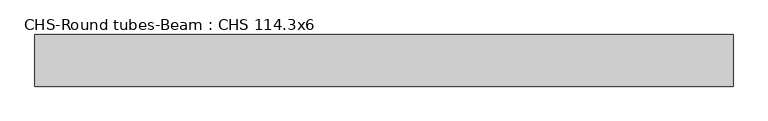
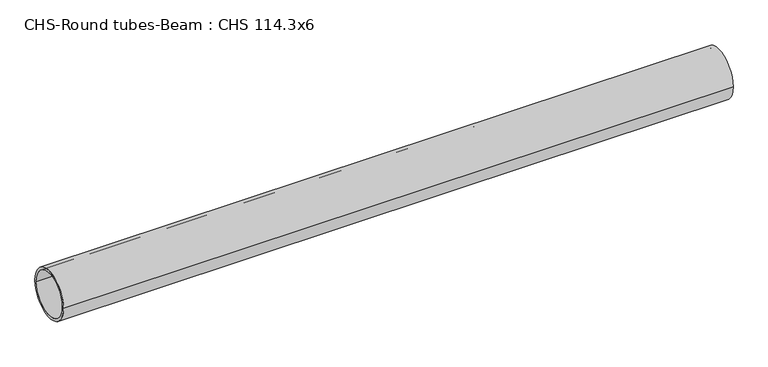
"""IFC4 building model written with IfcOpenShell, lengths in millimetres: beam geometry, CHS-Round tubes-Beam : CHS 114.3x6."""

from ifc_helpers import new_model, si_unit, point, frame, origin, origin_2d, place, context, project, spatial, circle_curve, trimmed, segment, composite_curve, outline, extrude, source, transform, mapped, element, save


def chs_round_tubes_beam_chs_114_3x6_98d1b284(model_context):
    return source(origin(), model_context, "Body", "SweptSolid", [
        extrude(outline(composite_curve([segment(trimmed(circle_curve(origin_2d(), 57.15), [point((57.15, 0.0))], [point((-57.15, 0.0))], False, "CARTESIAN"), True, "CONTINUOUS"), segment(trimmed(circle_curve(origin_2d(), 57.15), [point((-57.15, 0.0))], [point((57.15, 0.0))], False, "CARTESIAN"), True, "CONTINUOUS")], self_intersect=False), holes=[composite_curve([segment(trimmed(circle_curve(origin_2d(), 51.15), [point((51.15, 0.0))], [point((-51.15, 0.0))], True, "CARTESIAN"), True, "CONTINUOUS"), segment(trimmed(circle_curve(origin_2d(), 51.15), [point((-51.15, 0.0))], [point((51.15, 0.0))], True, "CARTESIAN"), True, "CONTINUOUS")], self_intersect=False)]), frame((-763.9934981, 0.0, 0.0), z_axis=(1.0, 0.0, 0.0), x_axis=(0.0, 1.0, 0.0)), (0.0, 0.0, 1.0), 1545.5393835),
    ])


if __name__ == "__main__":
    model = new_model("IFC4")
    model_context = context("Model", 3, world=origin())
    ifc_project = project(units=[si_unit("LENGTHUNIT", "METRE", prefix="MILLI")], contexts=[model_context])
    site = spatial("IfcSite", under=ifc_project)
    building = spatial("IfcBuilding", under=site)
    placement = place(None, origin())
    chs_round_tubes_beam_chs_114_3x6_shape = chs_round_tubes_beam_chs_114_3x6_98d1b284(model_context)
    element("IfcBeam", 1, ObjectType="CHS-Round tubes-Beam : CHS 114.3x6", at=placement, inside=building, context=model_context, shape_type="MappedRepresentation", body=[
        mapped(chs_round_tubes_beam_chs_114_3x6_shape, transform((0.0, 0.0, 0.0), x_axis=(1.0, 0.0, 0.0), y_axis=(0.0, 1.0, 0.0), z_axis=(0.0, 0.0, 1.0))),
    ])
    save(model, "model.ifc")
